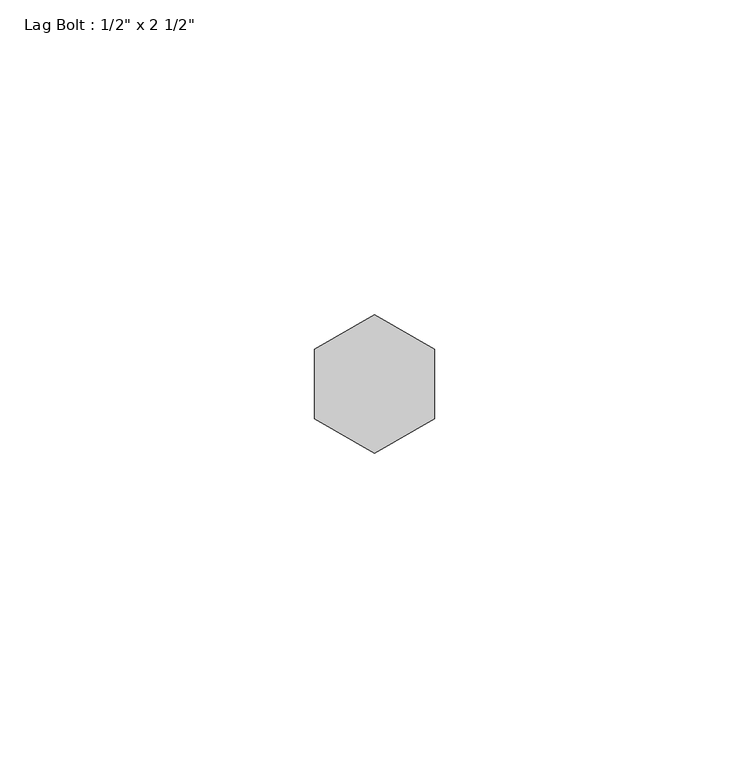
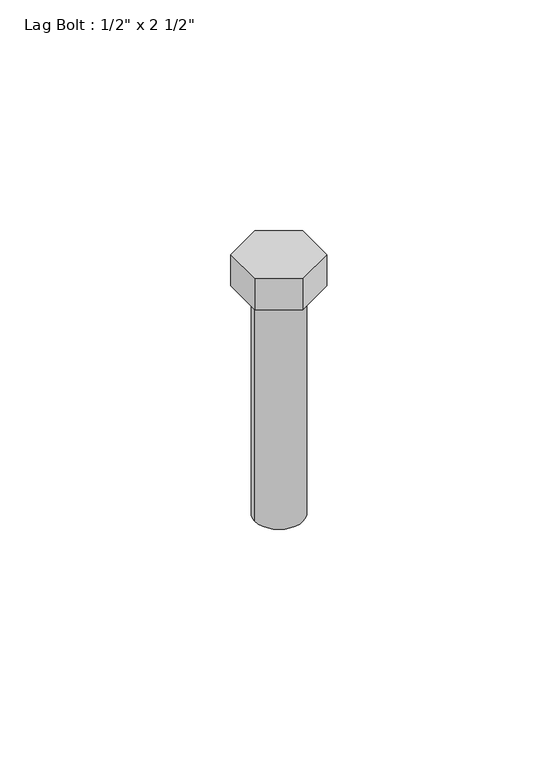
"""IFC4 building model written with IfcOpenShell, lengths in millimetres: proxy geometry."""

from ifc_helpers import new_model, si_unit, point, frame, origin, origin_with_axes, origin_2d, place, context, project, spatial, polyline, circle_curve, trimmed, segment, composite_curve, outline, extrude, source, transform, mapped, element, save


def proxy_4874b17d(model_context):
    return source(origin(), model_context, "Body", "SweptSolid", [
        extrude(outline(polyline([(-9.525, 5.4992613), (0.0, 10.9985226), (9.525, 5.4992613), (9.525, -5.4992613), (0.0, -10.9985226), (-9.525, -5.4992613), (-9.525, 5.4992613)])), origin_with_axes(), (0.0, 0.0, 1.0), 8.73125),
        extrude(outline(composite_curve([segment(trimmed(circle_curve(origin_2d(), 6.35), [point((-6.35, 0.0))], [point((6.35, 0.0))], False, "CARTESIAN"), True, "CONTINUOUS"), segment(trimmed(circle_curve(origin_2d(), 6.35), [point((6.35, 0.0))], [point((-6.35, 0.0))], False, "CARTESIAN"), True, "CONTINUOUS")], self_intersect=False)), frame((0.0, 0.0, -63.5), z_axis=(0.0, 0.0, 1.0), x_axis=(1.0, 0.0, 0.0)), (0.0, 0.0, 1.0), 63.5),
    ])


if __name__ == "__main__":
    model = new_model("IFC4")
    model_context = context("Model", 3, world=origin())
    ifc_project = project(units=[si_unit("LENGTHUNIT", "METRE", prefix="MILLI")], contexts=[model_context])
    site = spatial("IfcSite", under=ifc_project)
    building = spatial("IfcBuilding", under=site)
    placement = place(None, origin())
    proxy_shape = proxy_4874b17d(model_context)
    element("IfcBuildingElementProxy", 1, Name="Lag Bolt : 1/2\" x 2 1/2\"", ObjectType="Lag Bolt : 1/2\" x 2 1/2\"", at=placement, inside=building, context=model_context, shape_type="MappedRepresentation", body=[
        mapped(proxy_shape, transform((0.0, 0.0, 0.0), x_axis=(1.0, 0.0, 0.0), y_axis=(0.0, 1.0, 0.0), z_axis=(0.0, 0.0, 1.0))),
    ])
    save(model, "model.ifc")
